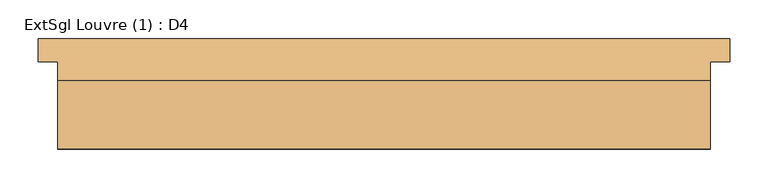
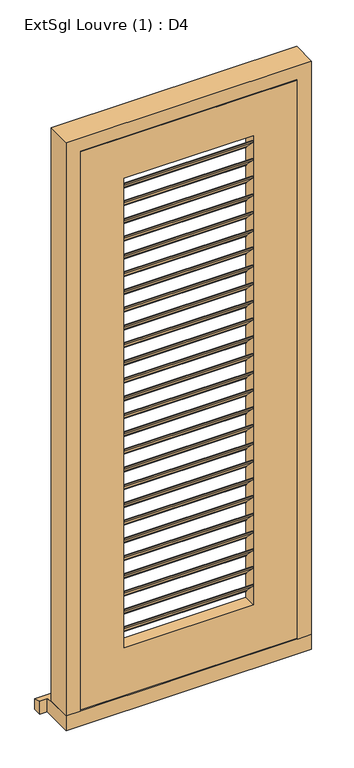
"""IFC4 building model written with IfcOpenShell, lengths in millimetres: door geometry, ExtSgl Louvre (1) : D4."""

from ifc_helpers import new_model, si_unit, point, frame, frame_2d, origin, place, context, project, spatial, polyline, circle_curve, trimmed, segment, composite_curve, outline, extrude, faceted_brep, source, transform, mapped, element, save


def extsgl_louvre_1_d4_d4706a43(model_context):
    return source(origin(), model_context, "Body", "SolidModel", [
        extrude(outline(composite_curve([segment(trimmed(circle_curve(frame_2d((1200.0, -298.5)), 19.0), [point((1200.0, -279.5))], [point((1200.0, -317.5))], False, "CARTESIAN"), True, "CONTINUOUS"), segment(trimmed(circle_curve(frame_2d((1200.0, -298.5)), 19.0), [point((1200.0, -317.5))], [point((1200.0, -279.5))], False, "CARTESIAN"), True, "CONTINUOUS")], self_intersect=False), holes=[composite_curve([segment(polyline([(1197.6985978, -297.5235023), (1188.3126735, -297.5235023), (1188.3126735, -299.4936963), (1197.7059713, -299.4936963)]), True, "CONTINUOUS"), segment(trimmed(circle_curve(frame_2d((1200.0, -298.5)), 2.5), [point((1197.7059713, -299.4936963))], [point((1197.6985978, -297.5235023))], True, "CARTESIAN"), True, "CONTINUOUS")], self_intersect=False)]), frame((0.0, -15.0, 0.0), z_axis=(0.0, 1.0, 0.0), x_axis=(0.0, 0.0, 1.0)), (0.0, 0.0, 1.0), 3.0),
        extrude(outline(polyline([(-55.0, 1859.62), (-15.0, 1819.62), (-15.0, 1815.62), (-18.0, 1815.62), (-18.0, 1818.3773593), (-58.0, 1858.3773593), (-58.0, 1863.62), (-55.0, 1863.62), (-55.0, 1859.62)])), frame((-223.5, 0.0, 0.0), z_axis=(1.0, 0.0, 0.0), x_axis=(0.0, 1.0, 0.0)), (0.0, 0.0, 1.0), 447.0),
        extrude(outline(polyline([(-55.0, 1794.74), (-15.0, 1754.74), (-15.0, 1750.74), (-18.0, 1750.74), (-18.0, 1753.4973593), (-58.0, 1793.4973593), (-58.0, 1798.74), (-55.0, 1798.74), (-55.0, 1794.74)])), frame((-223.5, 0.0, 0.0), z_axis=(1.0, 0.0, 0.0), x_axis=(0.0, 1.0, 0.0)), (0.0, 0.0, 1.0), 447.0),
        extrude(outline(polyline([(-55.0, 1729.86), (-15.0, 1689.86), (-15.0, 1685.86), (-18.0, 1685.86), (-18.0, 1688.6173593), (-58.0, 1728.6173593), (-58.0, 1733.86), (-55.0, 1733.86), (-55.0, 1729.86)])), frame((-223.5, 0.0, 0.0), z_axis=(1.0, 0.0, 0.0), x_axis=(0.0, 1.0, 0.0)), (0.0, 0.0, 1.0), 447.0),
        extrude(outline(polyline([(-55.0, 1664.98), (-15.0, 1624.98), (-15.0, 1620.98), (-18.0, 1620.98), (-18.0, 1623.7373593), (-58.0, 1663.7373593), (-58.0, 1668.98), (-55.0, 1668.98), (-55.0, 1664.98)])), frame((-223.5, 0.0, 0.0), z_axis=(1.0, 0.0, 0.0), x_axis=(0.0, 1.0, 0.0)), (0.0, 0.0, 1.0), 447.0),
        extrude(outline(polyline([(-55.0, 1600.1), (-15.0, 1560.1), (-15.0, 1556.1), (-18.0, 1556.1), (-18.0, 1558.8573593), (-58.0, 1598.8573593), (-58.0, 1604.1), (-55.0, 1604.1), (-55.0, 1600.1)])), frame((-223.5, 0.0, 0.0), z_axis=(1.0, 0.0, 0.0), x_axis=(0.0, 1.0, 0.0)), (0.0, 0.0, 1.0), 447.0),
        extrude(outline(polyline([(-55.0, 1535.22), (-15.0, 1495.22), (-15.0, 1491.22), (-18.0, 1491.22), (-18.0, 1493.9773593), (-58.0, 1533.9773593), (-58.0, 1539.22), (-55.0, 1539.22), (-55.0, 1535.22)])), frame((-223.5, 0.0, 0.0), z_axis=(1.0, 0.0, 0.0), x_axis=(0.0, 1.0, 0.0)), (0.0, 0.0, 1.0), 447.0),
        extrude(outline(polyline([(-55.0, 1470.34), (-15.0, 1430.34), (-15.0, 1426.34), (-18.0, 1426.34), (-18.0, 1429.0973593), (-58.0, 1469.0973593), (-58.0, 1474.34), (-55.0, 1474.34), (-55.0, 1470.34)])), frame((-223.5, 0.0, 0.0), z_axis=(1.0, 0.0, 0.0), x_axis=(0.0, 1.0, 0.0)), (0.0, 0.0, 1.0), 447.0),
        extrude(outline(polyline([(-55.0, 1405.46), (-15.0, 1365.46), (-15.0, 1361.46), (-18.0, 1361.46), (-18.0, 1364.2173593), (-58.0, 1404.2173593), (-58.0, 1409.46), (-55.0, 1409.46), (-55.0, 1405.46)])), frame((-223.5, 0.0, 0.0), z_axis=(1.0, 0.0, 0.0), x_axis=(0.0, 1.0, 0.0)), (0.0, 0.0, 1.0), 447.0),
        extrude(outline(polyline([(-55.0, 1340.58), (-15.0, 1300.58), (-15.0, 1296.58), (-18.0, 1296.58), (-18.0, 1299.3373593), (-58.0, 1339.3373593), (-58.0, 1344.58), (-55.0, 1344.58), (-55.0, 1340.58)])), frame((-223.5, 0.0, 0.0), z_axis=(1.0, 0.0, 0.0), x_axis=(0.0, 1.0, 0.0)), (0.0, 0.0, 1.0), 447.0),
        extrude(outline(polyline([(-55.0, 1275.7), (-15.0, 1235.7), (-15.0, 1231.7), (-18.0, 1231.7), (-18.0, 1234.4573593), (-58.0, 1274.4573593), (-58.0, 1279.7), (-55.0, 1279.7), (-55.0, 1275.7)])), frame((-223.5, 0.0, 0.0), z_axis=(1.0, 0.0, 0.0), x_axis=(0.0, 1.0, 0.0)), (0.0, 0.0, 1.0), 447.0),
        extrude(outline(polyline([(-55.0, 1210.82), (-15.0, 1170.82), (-15.0, 1166.82), (-18.0, 1166.82), (-18.0, 1169.5773593), (-58.0, 1209.5773593), (-58.0, 1214.82), (-55.0, 1214.82), (-55.0, 1210.82)])), frame((-223.5, 0.0, 0.0), z_axis=(1.0, 0.0, 0.0), x_axis=(0.0, 1.0, 0.0)), (0.0, 0.0, 1.0), 447.0),
        extrude(outline(polyline([(-55.0, 1145.94), (-15.0, 1105.94), (-15.0, 1101.94), (-18.0, 1101.94), (-18.0, 1104.6973593), (-58.0, 1144.6973593), (-58.0, 1149.94), (-55.0, 1149.94), (-55.0, 1145.94)])), frame((-223.5, 0.0, 0.0), z_axis=(1.0, 0.0, 0.0), x_axis=(0.0, 1.0, 0.0)), (0.0, 0.0, 1.0), 447.0),
        extrude(outline(polyline([(-55.0, 1081.06), (-15.0, 1041.06), (-15.0, 1037.06), (-18.0, 1037.06), (-18.0, 1039.8173593), (-58.0, 1079.8173593), (-58.0, 1085.06), (-55.0, 1085.06), (-55.0, 1081.06)])), frame((-223.5, 0.0, 0.0), z_axis=(1.0, 0.0, 0.0), x_axis=(0.0, 1.0, 0.0)), (0.0, 0.0, 1.0), 447.0),
        extrude(outline(polyline([(-55.0, 1016.18), (-15.0, 976.18), (-15.0, 972.18), (-18.0, 972.18), (-18.0, 974.9373593), (-58.0, 1014.9373593), (-58.0, 1020.18), (-55.0, 1020.18), (-55.0, 1016.18)])), frame((-223.5, 0.0, 0.0), z_axis=(1.0, 0.0, 0.0), x_axis=(0.0, 1.0, 0.0)), (0.0, 0.0, 1.0), 447.0),
        extrude(outline(polyline([(-55.0, 951.3), (-15.0, 911.3), (-15.0, 907.3), (-18.0, 907.3), (-18.0, 910.0573593), (-58.0, 950.0573593), (-58.0, 955.3), (-55.0, 955.3), (-55.0, 951.3)])), frame((-223.5, 0.0, 0.0), z_axis=(1.0, 0.0, 0.0), x_axis=(0.0, 1.0, 0.0)), (0.0, 0.0, 1.0), 447.0),
        extrude(outline(polyline([(-55.0, 886.42), (-15.0, 846.42), (-15.0, 842.42), (-18.0, 842.42), (-18.0, 845.1773593), (-58.0, 885.1773593), (-58.0, 890.42), (-55.0, 890.42), (-55.0, 886.42)])), frame((-223.5, 0.0, 0.0), z_axis=(1.0, 0.0, 0.0), x_axis=(0.0, 1.0, 0.0)), (0.0, 0.0, 1.0), 447.0),
        extrude(outline(polyline([(-55.0, 821.54), (-15.0, 781.54), (-15.0, 777.54), (-18.0, 777.54), (-18.0, 780.2973593), (-58.0, 820.2973593), (-58.0, 825.54), (-55.0, 825.54), (-55.0, 821.54)])), frame((-223.5, 0.0, 0.0), z_axis=(1.0, 0.0, 0.0), x_axis=(0.0, 1.0, 0.0)), (0.0, 0.0, 1.0), 447.0),
        extrude(outline(polyline([(-55.0, 756.66), (-15.0, 716.66), (-15.0, 712.66), (-18.0, 712.66), (-18.0, 715.4173593), (-58.0, 755.4173593), (-58.0, 760.66), (-55.0, 760.66), (-55.0, 756.66)])), frame((-223.5, 0.0, 0.0), z_axis=(1.0, 0.0, 0.0), x_axis=(0.0, 1.0, 0.0)), (0.0, 0.0, 1.0), 447.0),
        extrude(outline(polyline([(-55.0, 691.78), (-15.0, 651.78), (-15.0, 647.78), (-18.0, 647.78), (-18.0, 650.5373593), (-58.0, 690.5373593), (-58.0, 695.78), (-55.0, 695.78), (-55.0, 691.78)])), frame((-223.5, 0.0, 0.0), z_axis=(1.0, 0.0, 0.0), x_axis=(0.0, 1.0, 0.0)), (0.0, 0.0, 1.0), 447.0),
        extrude(outline(polyline([(-55.0, 626.9), (-15.0, 586.9), (-15.0, 582.9), (-18.0, 582.9), (-18.0, 585.6573593), (-58.0, 625.6573593), (-58.0, 630.9), (-55.0, 630.9), (-55.0, 626.9)])), frame((-223.5, 0.0, 0.0), z_axis=(1.0, 0.0, 0.0), x_axis=(0.0, 1.0, 0.0)), (0.0, 0.0, 1.0), 447.0),
        extrude(outline(polyline([(-55.0, 562.02), (-15.0, 522.02), (-15.0, 518.02), (-18.0, 518.02), (-18.0, 520.7773593), (-58.0, 560.7773593), (-58.0, 566.02), (-55.0, 566.02), (-55.0, 562.02)])), frame((-223.5, 0.0, 0.0), z_axis=(1.0, 0.0, 0.0), x_axis=(0.0, 1.0, 0.0)), (0.0, 0.0, 1.0), 447.0),
        extrude(outline(polyline([(-55.0, 497.14), (-15.0, 457.14), (-15.0, 453.14), (-18.0, 453.14), (-18.0, 455.8973593), (-58.0, 495.8973593), (-58.0, 501.14), (-55.0, 501.14), (-55.0, 497.14)])), frame((-223.5, 0.0, 0.0), z_axis=(1.0, 0.0, 0.0), x_axis=(0.0, 1.0, 0.0)), (0.0, 0.0, 1.0), 447.0),
        extrude(outline(polyline([(-55.0, 432.26), (-15.0, 392.26), (-15.0, 388.26), (-18.0, 388.26), (-18.0, 391.0173593), (-58.0, 431.0173593), (-58.0, 436.26), (-55.0, 436.26), (-55.0, 432.26)])), frame((-223.5, 0.0, 0.0), z_axis=(1.0, 0.0, 0.0), x_axis=(0.0, 1.0, 0.0)), (0.0, 0.0, 1.0), 447.0),
        extrude(outline(polyline([(-55.0, 367.38), (-15.0, 327.38), (-15.0, 323.38), (-18.0, 323.38), (-18.0, 326.1373593), (-58.0, 366.1373593), (-58.0, 371.38), (-55.0, 371.38), (-55.0, 367.38)])), frame((-223.5, 0.0, 0.0), z_axis=(1.0, 0.0, 0.0), x_axis=(0.0, 1.0, 0.0)), (0.0, 0.0, 1.0), 447.0),
        extrude(outline(polyline([(-55.0, 1924.5), (-15.0, 1884.5), (-15.0, 1880.5), (-18.0, 1880.5), (-18.0, 1883.2573593), (-58.0, 1923.2573593), (-58.0, 1928.5), (-55.0, 1928.5), (-55.0, 1924.5)])), frame((-223.5, 0.0, 0.0), z_axis=(1.0, 0.0, 0.0), x_axis=(0.0, 1.0, 0.0)), (0.0, 0.0, 1.0), 447.0),
        extrude(outline(polyline([(-55.0, 302.5), (-15.0, 262.5), (-15.0, 258.5), (-18.0, 258.5), (-18.0, 261.2573593), (-58.0, 301.2573593), (-58.0, 306.5), (-55.0, 306.5), (-55.0, 302.5)])), frame((-223.5, 0.0, 0.0), z_axis=(1.0, 0.0, 0.0), x_axis=(0.0, 1.0, 0.0)), (0.0, 0.0, 1.0), 447.0),
        faceted_brep([(354.5, 30.0, 54.5), (425.0, 30.0, 54.5), (425.0, -59.0, 54.5), (376.5, -59.0, 54.5), (376.5, -12.0, 54.5), (354.5, -12.0, 54.5), (354.5, 30.0, 2079.5), (-354.5, 30.0, 2079.5), (-354.5, 30.0, 54.5), (-425.0, 30.0, 54.5), (-425.0, 30.0, 2150.0), (425.0, 30.0, 2150.0), (425.0, -59.0, 2150.0), (-425.0, -59.0, 2150.0), (-425.0, -59.0, 54.5), (-376.5, -59.0, 54.5), (-376.5, -59.0, 2101.5), (376.5, -59.0, 2101.5), (376.5, -12.0, 2101.5), (-376.5, -12.0, 2101.5), (-376.5, -12.0, 54.5), (-354.5, -12.0, 54.5), (-354.5, -12.0, 2079.5), (354.5, -12.0, 2079.5)], [[[0, 1, 2, 3, 4, 5]], [[1, 0, 6, 7, 8, 9, 10, 11]], [[2, 1, 11, 12]], [[3, 2, 12, 13, 14, 15, 16, 17]], [[4, 3, 17, 18]], [[5, 4, 18, 19, 20, 21, 22, 23]], [[0, 5, 23, 6]], [[12, 11, 10, 13]], [[18, 17, 16, 19]], [[6, 23, 22, 7]], [[8, 21, 20, 15, 14, 9]], [[13, 10, 9, 14]], [[19, 16, 15, 20]], [[7, 22, 21, 8]]]),
        faceted_brep([(450.0, 85.0, 0.0), (450.0, 85.0, 38.5947221), (450.0, 55.0, 47.2703282), (450.0, 55.0, 0.0), (-450.0, 85.0, 38.5947221), (-450.0, 85.0, 0.0), (-450.0, 55.0, 0.0), (-450.0, 55.0, 47.2703282), (425.0, 55.0, 0.0), (425.0, -59.0, 0.0), (-425.0, -59.0, 0.0), (-425.0, 55.0, 0.0), (-425.0, 55.0, 47.2703282), (-425.0, 30.0, 54.5), (425.0, 30.0, 54.5), (425.0, 55.0, 47.2703282), (-425.0, -59.0, 54.5), (425.0, -59.0, 54.5)], [[[0, 1, 2, 3]], [[4, 5, 6, 7]], [[5, 0, 3, 8, 9, 10, 11, 6]], [[1, 0, 5, 4]], [[1, 4, 7, 12, 13, 14, 15, 2]], [[13, 16, 17, 14]], [[16, 10, 9, 17]], [[12, 11, 10, 16, 13]], [[11, 12, 7, 6]], [[8, 15, 14, 17, 9]], [[15, 8, 3, 2]]]),
        extrude(outline(polyline([(58.5, 373.5), (2098.5, 373.5), (2098.5, -374.4250294), (58.5, -374.4250294), (58.5, 373.5)]), holes=[polyline([(233.5, -223.5), (1948.5, -223.5), (1948.5, 223.5), (233.5, 223.5), (233.5, -223.5)])]), frame((0.0, -59.0, 0.0), z_axis=(0.0, 1.0, 0.0), x_axis=(0.0, 0.0, 1.0)), (0.0, 0.0, 1.0), 44.0),
    ])


if __name__ == "__main__":
    model = new_model("IFC4")
    model_context = context("Model", 3, world=origin())
    ifc_project = project(units=[si_unit("LENGTHUNIT", "METRE", prefix="MILLI")], contexts=[model_context])
    site = spatial("IfcSite", under=ifc_project)
    building = spatial("IfcBuilding", under=site)
    placement = place(None, origin())
    extsgl_louvre_1_d4_shape = extsgl_louvre_1_d4_d4706a43(model_context)
    element("IfcDoor", 1, ObjectType="ExtSgl Louvre (1) : D4", at=placement, inside=building, context=model_context, shape_type="MappedRepresentation", body=[
        mapped(extsgl_louvre_1_d4_shape, transform((0.0, 0.0, 0.0), x_axis=(1.0, 0.0, 0.0), y_axis=(0.0, 1.0, 0.0), z_axis=(0.0, 0.0, 1.0))),
    ])
    save(model, "model.ifc")
